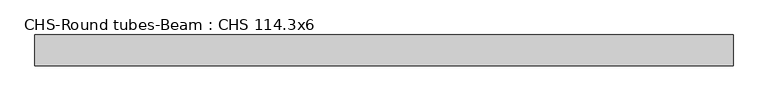
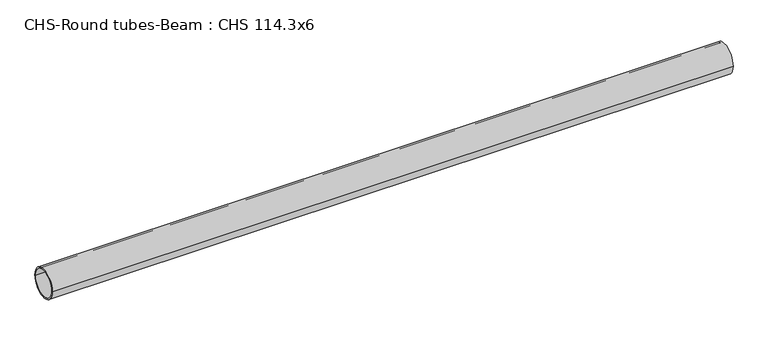
"""IFC4 building model written with IfcOpenShell, lengths in millimetres: beam geometry, CHS-Round tubes-Beam : CHS 114.3x6."""

from ifc_helpers import new_model, si_unit, point, frame, origin, origin_2d, place, context, project, spatial, circle_curve, trimmed, segment, composite_curve, outline, extrude, source, transform, mapped, element, save


def chs_round_tubes_beam_chs_114_3x6_448a209a(model_context):
    return source(origin(), model_context, "Body", "SweptSolid", [
        extrude(outline(composite_curve([segment(trimmed(circle_curve(origin_2d(), 57.15), [point((57.15, 0.0))], [point((-57.15, 0.0))], False, "CARTESIAN"), True, "CONTINUOUS"), segment(trimmed(circle_curve(origin_2d(), 57.15), [point((-57.15, 0.0))], [point((57.15, 0.0))], False, "CARTESIAN"), True, "CONTINUOUS")], self_intersect=False), holes=[composite_curve([segment(trimmed(circle_curve(origin_2d(), 51.15), [point((51.15, 0.0))], [point((-51.15, 0.0))], True, "CARTESIAN"), True, "CONTINUOUS"), segment(trimmed(circle_curve(origin_2d(), 51.15), [point((-51.15, 0.0))], [point((51.15, 0.0))], True, "CARTESIAN"), True, "CONTINUOUS")], self_intersect=False)]), frame((-1257.6724637, 0.0, 0.0), z_axis=(1.0, 0.0, 0.0), x_axis=(0.0, 1.0, 0.0)), (0.0, 0.0, 1.0), 2587.0463455),
    ])


if __name__ == "__main__":
    model = new_model("IFC4")
    model_context = context("Model", 3, world=origin())
    ifc_project = project(units=[si_unit("LENGTHUNIT", "METRE", prefix="MILLI")], contexts=[model_context])
    site = spatial("IfcSite", under=ifc_project)
    building = spatial("IfcBuilding", under=site)
    placement = place(None, origin())
    chs_round_tubes_beam_chs_114_3x6_shape = chs_round_tubes_beam_chs_114_3x6_448a209a(model_context)
    element("IfcBeam", 1, ObjectType="CHS-Round tubes-Beam : CHS 114.3x6", at=placement, inside=building, context=model_context, shape_type="MappedRepresentation", body=[
        mapped(chs_round_tubes_beam_chs_114_3x6_shape, transform((0.0, 0.0, 0.0), x_axis=(1.0, 0.0, 0.0), y_axis=(0.0, 1.0, 0.0), z_axis=(0.0, 0.0, 1.0))),
    ])
    save(model, "model.ifc")
